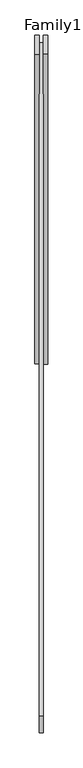
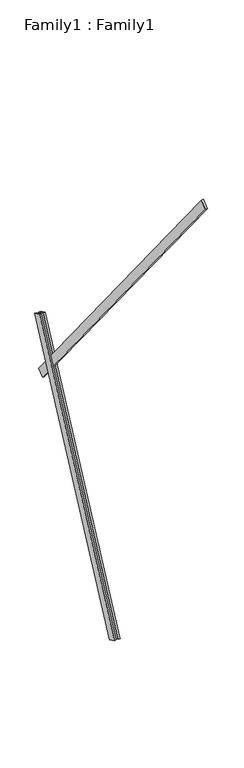
"""IFC4 building model written with IfcOpenShell, lengths in millimetres: proxy geometry, Family1 : Family1."""

from ifc_helpers import new_model, si_unit, frame, origin, place, context, project, spatial, polyline, outline, extrude, source, transform, mapped, element, save


def family1_family1_10a15be4(model_context):
    return source(origin(), model_context, "Body", "SweptSolid", [
        extrude(outline(polyline([(0.0, 0.0), (0.0, -20.0), (-100.0000001, -20.0), (-100.0000001, 0.0), (0.0, 0.0)])), frame((-30.0, 46.3241747, -22.5938096), z_axis=(0.0, 0.4383711467890692, 0.8987940462991711), x_axis=(0.0, 0.8987940462991711, -0.4383711467890692)), (0.0, 0.0, 1.0), 3300.0),
        extrude(outline(polyline([(0.0, 0.0), (0.0, -20.0), (-99.9999999, -20.0), (-99.9999999, 0.0), (0.0, 0.0)])), frame((10.0, 45.270232, -22.0797674), z_axis=(0.0, 0.4383711467890692, 0.8987940462991711), x_axis=(0.0, 0.8987940462991711, -0.4383711467890692)), (0.0, 0.0, 1.0), 3300.0),
        extrude(outline(polyline([(0.0, 0.0), (0.0, -100.0), (-20.0, -100.0), (-20.0, 0.0), (0.0, 0.0)])), frame((10.0, 1456.1860993, 2313.5952341), z_axis=(0.0, -0.6293203910498362, 0.777145961456972), x_axis=(1.0, 0.0, 0.0)), (0.0, 0.0, 1.0), 5000.0),
    ])


if __name__ == "__main__":
    model = new_model("IFC4")
    model_context = context("Model", 3, world=origin())
    ifc_project = project(units=[si_unit("LENGTHUNIT", "METRE", prefix="MILLI")], contexts=[model_context])
    site = spatial("IfcSite", under=ifc_project)
    building = spatial("IfcBuilding", under=site)
    placement = place(None, origin())
    family1_family1_shape = family1_family1_10a15be4(model_context)
    element("IfcBuildingElementProxy", 1, Name="Family1 : Family1", ObjectType="Family1 : Family1", at=placement, inside=building, context=model_context, shape_type="MappedRepresentation", body=[
        mapped(family1_family1_shape, transform((0.0, 0.0, 0.0), x_axis=(1.0, 0.0, 0.0), y_axis=(0.0, 1.0, 0.0), z_axis=(0.0, 0.0, 1.0))),
    ])
    save(model, "model.ifc")
